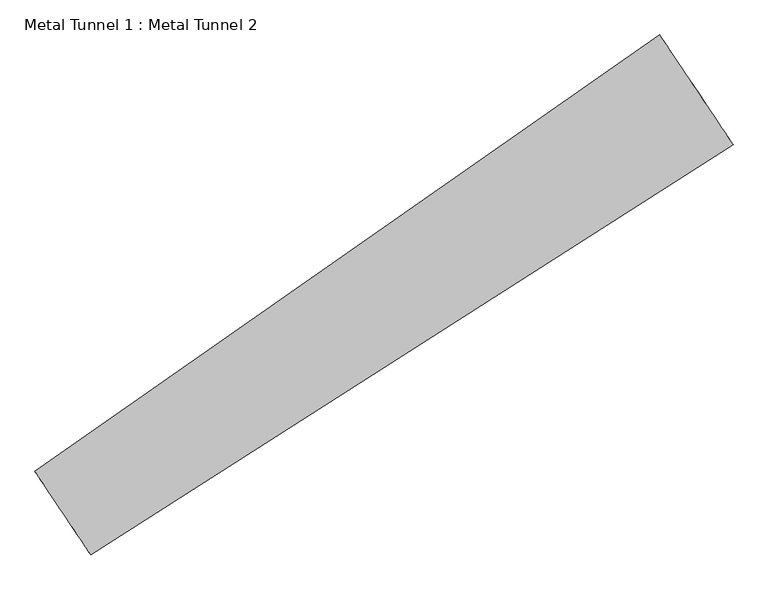
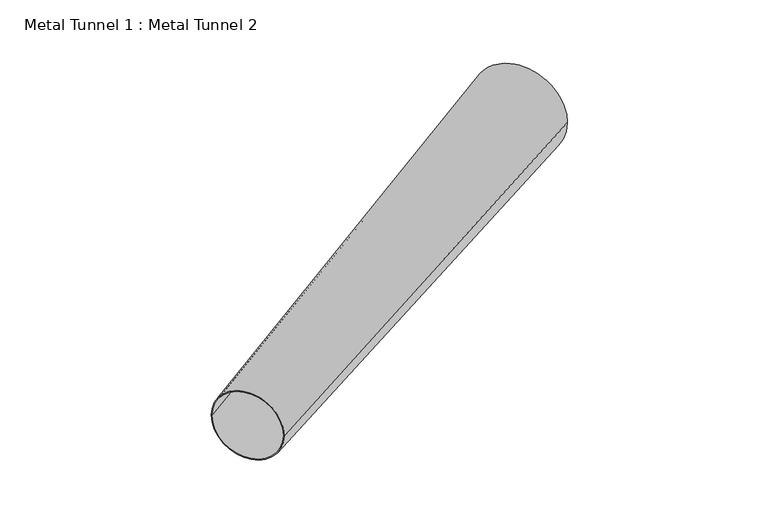
"""IFC4 building model written with IfcOpenShell, lengths in millimetres: proxy geometry, Metal Tunnel 1 : Metal Tunnel 2."""

import ifcopenshell
import ifcopenshell.guid

model = None  # the IFC model being written
_history = None  # IfcOwnerHistory: only IFC2X3 demands one
_inside = {}  # id of a spatial element -> (the spatial element, [elements in it])
_under = {}  # id of a project, library or spatial element -> (it, [spatial elements below it])
_declared = {}  # id of a project -> (the project, [libraries it declares])
_typed = {}  # id of a type object -> (the type object, [elements of that type])
_made_of = {}  # id of a material, layer set ... -> (it, [elements and type objects made of it])


def new_model(schema):
    """Start an empty IFC model of exactly this schema.

    Asked for "IFC4X3", IfcOpenShell would pick the latest addendum, in which some entities
    have other attributes; the version numbers below select the first issue.
    IFC2X3 requires an IfcOwnerHistory on every rooted entity: one is made here for all.
    """
    global model, _history
    if schema == "IFC4X3":
        model = ifcopenshell.file(schema_version=(4, 3, 0, 0))
    else:
        model = ifcopenshell.file(schema=schema)
    _inside.clear()
    _under.clear()
    _declared.clear()
    _typed.clear()
    _made_of.clear()
    _history = None
    if model.schema == "IFC2X3":
        org = make("IfcOrganization", Name="unknown")
        user = make(
            "IfcPersonAndOrganization",
            ThePerson=make("IfcPerson", FamilyName="unknown"),
            TheOrganization=org,
        )
        app = make(
            "IfcApplication",
            ApplicationDeveloper=org,
            Version="unknown",
            ApplicationFullName="unknown",
            ApplicationIdentifier="unknown",
        )
        _history = make(
            "IfcOwnerHistory",
            OwningUser=user,
            OwningApplication=app,
            ChangeAction="ADDED",
            CreationDate=0,
        )
    return model


def make(cls, **values):
    """One entity of the class cls with the attributes given. An attribute that is None is left unset."""
    return model.create_entity(
        cls, **{name: value for name, value in values.items() if value is not None}
    )


def rooted(cls, **values):
    """An entity with a GlobalId (a new one), such as an element, a storey or a relation."""
    return make(cls, GlobalId=ifcopenshell.guid.new(), OwnerHistory=_history, **values)


def si_unit(unit_type, name, prefix=None):
    """IfcSIUnit, for example si_unit("LENGTHUNIT", "METRE", prefix="MILLI")."""
    return make("IfcSIUnit", UnitType=unit_type, Prefix=prefix, Name=name)


def assignment(units):
    """IfcUnitAssignment: the units of a project."""
    return None if units is None else make("IfcUnitAssignment", Units=units)


def point(xyz):
    """IfcCartesianPoint."""
    return None if xyz is None else make("IfcCartesianPoint", Coordinates=xyz)


def direction(xyz):
    """IfcDirection."""
    return None if xyz is None else make("IfcDirection", DirectionRatios=xyz)


def frame(location, z_axis=None, x_axis=None):
    """IfcAxis2Placement3D, a coordinate frame: its origin and axes. An axis left out is left unset."""
    return make(
        "IfcAxis2Placement3D",
        Location=point(location),
        Axis=direction(z_axis),
        RefDirection=direction(x_axis),
    )


def origin():
    """The frame at (0, 0, 0) with its axes left unset."""
    return frame((0.0, 0.0, 0.0))


def place(relative_to, where):
    """IfcLocalPlacement: puts the frame where relative to a parent placement (None: the world)."""
    return make(
        "IfcLocalPlacement", PlacementRelTo=relative_to, RelativePlacement=where
    )


def context(
    kind, dimensions, precision=None, world=None, true_north=None, identifier=None
):
    """IfcGeometricRepresentationContext, for example the 3D "Model" context."""
    return make(
        "IfcGeometricRepresentationContext",
        ContextIdentifier=identifier,
        ContextType=kind,
        CoordinateSpaceDimension=dimensions,
        Precision=precision,
        WorldCoordinateSystem=world,
        TrueNorth=true_north,
    )


def project(units=None, contexts=None):
    """IfcProject with its units and contexts."""
    return rooted(
        "IfcProject",
        Name="project",
        RepresentationContexts=contexts,
        UnitsInContext=assignment(units),
    )


def spatial(cls, under=None, at=None, **own):
    """A site, building, storey or space (cls), placed at a placement, below another one or the project."""
    s = rooted(cls, ObjectPlacement=at, **own)
    if under is not None:
        _under.setdefault(under.id(), (under, []))[1].append(s)
    return s


def polyline(points):
    """IfcPolyline through the points."""
    return make("IfcPolyline", Points=[point(p) for p in points])


def circle_curve(where, radius):
    """IfcCircle in the frame where."""
    return make("IfcCircle", Position=where, Radius=radius)


def shape(context_of_items, identifier, shape_type, items):
    """IfcShapeRepresentation: the items that make up one representation, for example the "Body"."""
    return make(
        "IfcShapeRepresentation",
        ContextOfItems=context_of_items,
        RepresentationIdentifier=identifier,
        RepresentationType=shape_type,
        Items=items,
    )


def source(mapping_origin, context_of_items, identifier, shape_type, items):
    """IfcRepresentationMap: a shape defined once, which mapped items show again and again."""
    return make(
        "IfcRepresentationMap",
        MappingOrigin=mapping_origin,
        MappedRepresentation=shape(context_of_items, identifier, shape_type, items),
    )


def transform(
    local_origin,
    x_axis=None,
    y_axis=None,
    z_axis=None,
    scale=None,
    scale2=None,
    scale3=None,
    uniform=True,
):
    """IfcCartesianTransformationOperator3D, or its non-uniform kind. x_axis, y_axis, z_axis: its Axis1, 2, 3."""
    if uniform:
        return make(
            "IfcCartesianTransformationOperator3D",
            Axis1=direction(x_axis),
            Axis2=direction(y_axis),
            LocalOrigin=point(local_origin),
            Scale=scale,
            Axis3=direction(z_axis),
        )
    return make(
        "IfcCartesianTransformationOperator3DnonUniform",
        Axis1=direction(x_axis),
        Axis2=direction(y_axis),
        LocalOrigin=point(local_origin),
        Scale=scale,
        Axis3=direction(z_axis),
        Scale2=scale2,
        Scale3=scale3,
    )


def mapped(mapping_source, mapping_target):
    """IfcMappedItem: shows the shape of a source again, moved by a transform."""
    return make(
        "IfcMappedItem", MappingSource=mapping_source, MappingTarget=mapping_target
    )


def made_of(thing, what):
    """Note that an element or type object is made of a material, layer set ...; save() writes the relation."""
    if what is not None:
        _made_of.setdefault(what.id(), (what, []))[1].append(thing)
    return thing


def element(
    cls,
    number,
    at=None,
    inside=None,
    cuts=None,
    type_object=None,
    material=None,
    context=None,
    identifier="Body",
    shape_type=None,
    held_by="IfcProductDefinitionShape",
    body=None,
    shapes=None,
    **own,
):
    """One element of the class cls, such as IfcWall. Its Tag is "e" and its number.

    at: its placement. inside: the storey or other place that contains it. cuts: it is an
    opening in that element (IfcRelVoidsElement). A single representation is given by context,
    identifier, shape_type and body (its items); several are given by shapes. held_by: the class
    of the entity that holds the representations. save() writes the other relations.
    """
    e = rooted(cls, Tag="e%d" % number, ObjectPlacement=at, **own)
    if body is not None:
        shapes = [shape(context, identifier, shape_type, body)]
    if shapes is not None:
        e.Representation = make(held_by, Representations=shapes)
    if inside is not None:
        _inside.setdefault(inside.id(), (inside, []))[1].append(e)
    if cuts is not None:
        rooted(
            "IfcRelVoidsElement", RelatingBuildingElement=cuts, RelatedOpeningElement=e
        )
    if type_object is not None:
        _typed.setdefault(type_object.id(), (type_object, []))[1].append(e)
    return made_of(e, material)


def aggregate(whole, parts):
    """IfcRelAggregates: a whole, such as a stair, and the parts it consists of."""
    return rooted("IfcRelAggregates", RelatingObject=whole, RelatedObjects=parts)


def save(model, path):
    """Write the relations noted so far, then the file.

    IfcRelAggregates (storeys below a building ...), IfcRelContainedInSpatialStructure (elements
    in a storey), IfcRelDefinesByType, IfcRelAssociatesMaterial and IfcRelDeclares: one each for
    every whole, place, type object, material and project.
    """
    for whole, parts in _under.values():
        aggregate(whole, parts)
    for where, things in _inside.values():
        rooted(
            "IfcRelContainedInSpatialStructure",
            RelatedElements=things,
            RelatingStructure=where,
        )
    for kind, things in _typed.values():
        rooted("IfcRelDefinesByType", RelatedObjects=things, RelatingType=kind)
    for what, things in _made_of.values():
        rooted("IfcRelAssociatesMaterial", RelatedObjects=things, RelatingMaterial=what)
    for by, libraries in _declared.values():
        rooted("IfcRelDeclares", RelatingContext=by, RelatedDefinitions=libraries)
    model.write(path)


def plane_surface(at):
    """IfcPlane: the flat surface through the origin of the frame at, square to its z axis."""
    return make("IfcPlane", Position=at)


def revolved_surface(curve, axis_point, axis_direction):
    """IfcSurfaceOfRevolution: the curve turned about the line through axis_point along axis_direction."""
    return make(
        "IfcSurfaceOfRevolution",
        SweptCurve=make("IfcArbitraryOpenProfileDef", ProfileType="CURVE", Curve=curve),
        AxisPosition=make("IfcAxis1Placement", Location=point(axis_point), Axis=direction(axis_direction)),
    )


def advanced_brep(points, edges, surfaces, faces):
    """IfcAdvancedBrep: a solid bounded by faces that lie on surfaces and meet in shared edges.

    An edge is (start, end): straight between two places in points (the first is 0);
    or (start, end, curve); or (start, end, curve, False) where it runs against its curve.
    A face is (place in surfaces, loops), or (place, loops, False) where it looks against
    its surface's normal. A loop lists edges by number (the first is 1), with a minus sign
    where the edge is run from its end to its start. The first loop is the outer one.
    """
    corners = [point(p) for p in points]
    vertices = [make("IfcVertexPoint", VertexGeometry=c) for c in corners]
    made = []
    for start, end, *more in edges:
        made.append(
            make(
                "IfcEdgeCurve",
                EdgeStart=vertices[start],
                EdgeEnd=vertices[end],
                EdgeGeometry=more[0] if more else make("IfcPolyline", Points=[corners[start], corners[end]]),
                SameSense=more[1] if len(more) > 1 else True,
            )
        )
    hull = []
    for where, loops, *sense in faces:
        bounds = []
        for j, loop in enumerate(loops):
            ring = [make("IfcOrientedEdge", EdgeElement=made[abs(k) - 1], Orientation=k > 0) for k in loop]
            bounds.append(
                make(
                    "IfcFaceOuterBound" if j == 0 else "IfcFaceBound",
                    Bound=make("IfcEdgeLoop", EdgeList=ring),
                    Orientation=True,
                )
            )
        hull.append(make("IfcAdvancedFace", Bounds=bounds, FaceSurface=surfaces[where], SameSense=sense[0] if sense else True))
    return make("IfcAdvancedBrep", Outer=make("IfcClosedShell", CfsFaces=hull))


def metal_tunnel_1_metal_tunnel_2_d1f0d6f8(model_context):
    return source(origin(), model_context, "Body", "AdvancedBrep", [
        advanced_brep(
        [(146313.9678465, 22321.4237672, 317.5), (146045.7074927, 22722.5959779, 317.5), (146049.4290947, 22717.0304768, 317.5), (146310.2462445, 22326.9892682, 317.5), (149396.351852, 24290.920364, 317.5), (149043.3777024, 24818.778536, 317.5), (149389.2099458, 24301.600788, 317.5), (149050.5196086, 24808.098112, 317.5)],
        [
            (0, 1, circle_curve(frame((146179.8376696, 22522.0098725, 317.5), z_axis=(-0.8312727117153496, -0.5558648025890912, 0.0), x_axis=(0.5558648025890899, -0.8312727117153504, 0.0)), 241.3)),
            (1, 0, circle_curve(frame((146179.8376696, 22522.0098725, 317.5), z_axis=(-0.8312727117153496, -0.5558648025890912, 0.0), x_axis=(-0.5558648025890935, 0.8312727117153479, 0.0)), 241.3)),
            (2, 3, circle_curve(frame((146179.8376696, 22522.0098725, 317.5), z_axis=(0.8312727117153464, 0.5558648025890959, 0.0), x_axis=(0.5558648025891009, -0.8312727117153432, 0.0)), 234.6048433)),
            (3, 2, circle_curve(frame((146179.8376696, 22522.0098725, 317.5), z_axis=(0.8312727117153464, 0.5558648025890959, 0.0), x_axis=(-0.5558648025890969, 0.8312727117153458, 0.0)), 234.6048433)),
            (4, 5, circle_curve(frame((149219.8647772, 24554.84945, 317.5), z_axis=(0.8312727117153496, 0.5558648025890912, 0.0), x_axis=(-0.5558648025890935, 0.8312727117153479, 0.0)), 317.5)),
            (5, 4, circle_curve(frame((149219.8647772, 24554.84945, 317.5), z_axis=(0.8312727117153496, 0.5558648025890912, 0.0), x_axis=(0.5558648025890899, -0.8312727117153504, 0.0)), 317.5)),
            (6, 7, circle_curve(frame((149219.8647772, 24554.84945, 317.5), z_axis=(-0.8312727117153464, -0.5558648025890959, 0.0), x_axis=(0.5558648025891009, -0.8312727117153432, 0.0)), 304.6517207)),
            (7, 6, circle_curve(frame((149219.8647772, 24554.84945, 317.5), z_axis=(-0.8312727117153464, -0.5558648025890959, 0.0), x_axis=(-0.5558648025890969, 0.8312727117153458, 0.0)), 304.6517207)),
            (0, 4),
            (5, 1),
            (6, 3),
            (2, 7),
        ],
        [
            plane_surface(frame((146179.8376696, 22522.0098725, 317.5), z_axis=(-0.8312727117153142, -0.5558648025891442, 0.0), x_axis=(0.0, 0.0, 1.0))),
            plane_surface(frame((149219.8647772, 24554.84945, 317.5), z_axis=(0.8312727117153142, 0.5558648025891442, 0.0), x_axis=(0.0, 0.0, 1.0))),
            revolved_surface(polyline([(146313.9678464465, 22321.423767190383, 317.5), (149396.35185205934, 24290.92036403792, 317.5)]), (136553.0851621, 16084.6845439, 317.5), (0.8312727117153496, 0.5558648025890912, 0.0)),
            revolved_surface(polyline([(146045.70749270602, 22722.595977880632, 317.5), (149043.3777024, 24818.778536, 317.5)]), (136553.0851621, 16084.6845439, 317.5), (0.8312727117153496, 0.5558648025890912, 0.0)),
            revolved_surface(polyline([(149389.2099458, 24301.600788, 317.5), (146310.24624451203, 22326.989268182013, 317.5)]), (135998.0121455, 15713.5120653, 317.5), (0.8312727117153464, 0.5558648025890959, 0.0)),
        ],
        [
            (0, [[1, 2], [3, 4]]),
            (1, [[5, 6], [7, 8]]),
            (2, [[-1, 9, -6, 10]]),
            (3, [[-2, -10, -5, -9]]),
            (4, [[11, -3, 12, -7]]),
            (4, [[-11, -8, -12, -4]]),
        ],
    ),
    ])


if __name__ == "__main__":
    model = new_model("IFC4")
    model_context = context("Model", 3, world=origin())
    ifc_project = project(units=[si_unit("LENGTHUNIT", "METRE", prefix="MILLI")], contexts=[model_context])
    site = spatial("IfcSite", under=ifc_project)
    building = spatial("IfcBuilding", under=site)
    placement = place(None, origin())
    metal_tunnel_1_metal_tunnel_2_shape = metal_tunnel_1_metal_tunnel_2_d1f0d6f8(model_context)
    element("IfcBuildingElementProxy", 1, Name="Metal Tunnel 1 : Metal Tunnel 2", ObjectType="Metal Tunnel 1 : Metal Tunnel 2", at=placement, inside=building, context=model_context, shape_type="MappedRepresentation", body=[
        mapped(metal_tunnel_1_metal_tunnel_2_shape, transform((0.0, 0.0, 0.0), x_axis=(1.0, 0.0, 0.0), y_axis=(0.0, 1.0, 0.0), z_axis=(0.0, 0.0, 1.0))),
    ])
    save(model, "model.ifc")
